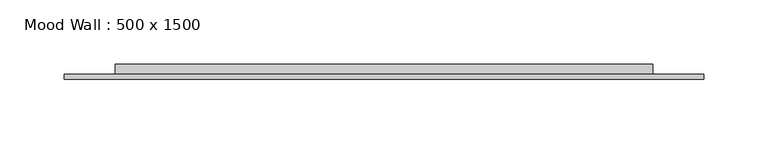
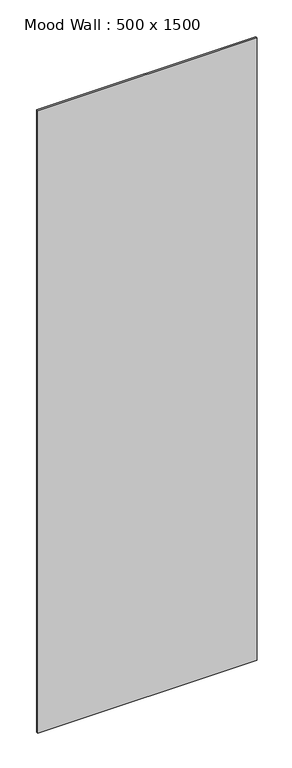
"""IFC4 building model written with IfcOpenShell, lengths in millimetres: furniture geometry, Mood Wall : 500 x 1500."""

from ifc_helpers import new_model, si_unit, frame, origin, origin_with_axes, place, context, project, spatial, polyline, outline, extrude, source, transform, mapped, element, save


def mood_wall_500_x_1500_87ef091e(model_context):
    return source(origin(), model_context, "Body", "SweptSolid", [
        extrude(outline(polyline([(249.9816406, -8.0), (249.9816406, -12.0), (-249.9816406, -12.0), (-249.9816406, -8.0), (249.9816406, -8.0)])), origin_with_axes(), (0.0, 0.0, 1.0), 1499.9890625),
        extrude(outline(polyline([(209.9816406, 0.0), (209.9816406, -8.0), (-209.9816406, -8.0), (-209.9816406, 0.0), (209.9816406, 0.0)])), frame((0.0, 0.0, 40.0), z_axis=(0.0, 0.0, 1.0), x_axis=(1.0, 0.0, 0.0)), (0.0, 0.0, 1.0), 1419.9890625),
    ])


if __name__ == "__main__":
    model = new_model("IFC4")
    model_context = context("Model", 3, world=origin())
    ifc_project = project(units=[si_unit("LENGTHUNIT", "METRE", prefix="MILLI")], contexts=[model_context])
    site = spatial("IfcSite", under=ifc_project)
    building = spatial("IfcBuilding", under=site)
    placement = place(None, origin())
    mood_wall_500_x_1500_shape = mood_wall_500_x_1500_87ef091e(model_context)
    element("IfcFurniture", 1, ObjectType="Mood Wall : 500 x 1500", at=placement, inside=building, context=model_context, shape_type="MappedRepresentation", body=[
        mapped(mood_wall_500_x_1500_shape, transform((0.0, 0.0, 0.0), x_axis=(1.0, 0.0, 0.0), y_axis=(0.0, 1.0, 0.0), z_axis=(0.0, 0.0, 1.0))),
    ])
    save(model, "model.ifc")
